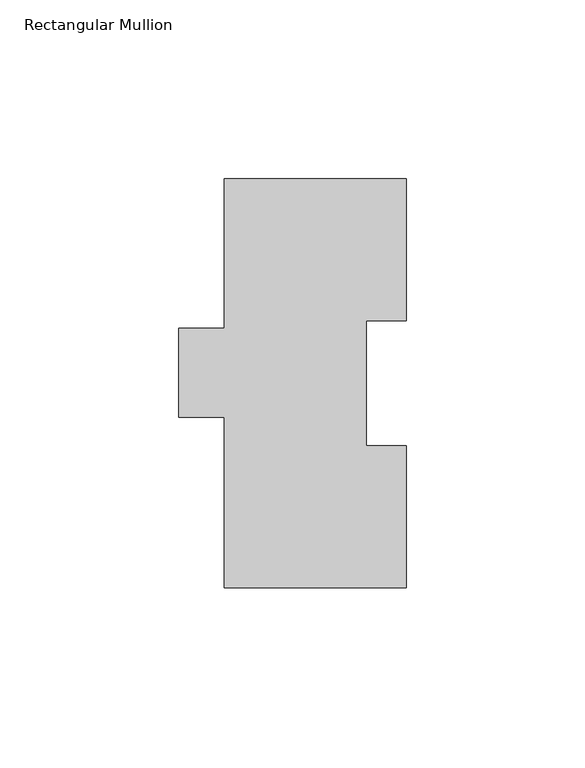
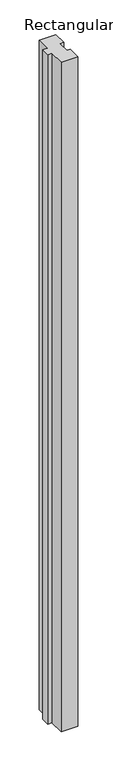
"""IFC4 building model written with IfcOpenShell, lengths in millimetres: member geometry, Rectangular Mullion."""

from ifc_helpers import new_model, si_unit, frame, origin, place, context, project, spatial, polyline, outline, extrude, source, transform, mapped, element, save


def rectangular_mullion_977cde84(model_context):
    return source(origin(), model_context, "Body", "SweptSolid", [
        extrude(outline(polyline([(25.4, 114.271425), (25.4, 74.596625), (14.2875, 74.596625), (14.2875, 39.646225), (25.4, 39.646225), (25.4, -0.028575), (-25.4, -0.028575), (-25.4, 47.596425), (-38.1, 47.596425), (-38.1, 72.564625), (-25.4, 72.564625), (-25.4, 114.271425), (25.4, 114.271425)])), frame((0.0, 0.0, -2133.6), z_axis=(0.0, 0.0, 1.0), x_axis=(1.0, 0.0, 0.0)), (0.0, 0.0, 1.0), 2133.6),
    ])


if __name__ == "__main__":
    model = new_model("IFC4")
    model_context = context("Model", 3, world=origin())
    ifc_project = project(units=[si_unit("LENGTHUNIT", "METRE", prefix="MILLI")], contexts=[model_context])
    site = spatial("IfcSite", under=ifc_project)
    building = spatial("IfcBuilding", under=site)
    placement = place(None, origin())
    rectangular_mullion_shape = rectangular_mullion_977cde84(model_context)
    element("IfcMember", 1, ObjectType="Rectangular Mullion", at=placement, inside=building, context=model_context, shape_type="MappedRepresentation", body=[
        mapped(rectangular_mullion_shape, transform((0.0, 0.0, 0.0), x_axis=(1.0, 0.0, 0.0), y_axis=(0.0, 1.0, 0.0), z_axis=(0.0, 0.0, 1.0))),
    ])
    save(model, "model.ifc")
